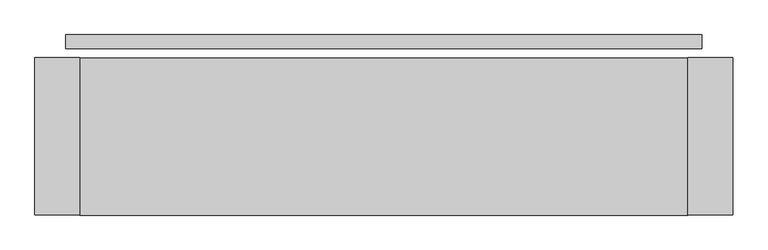
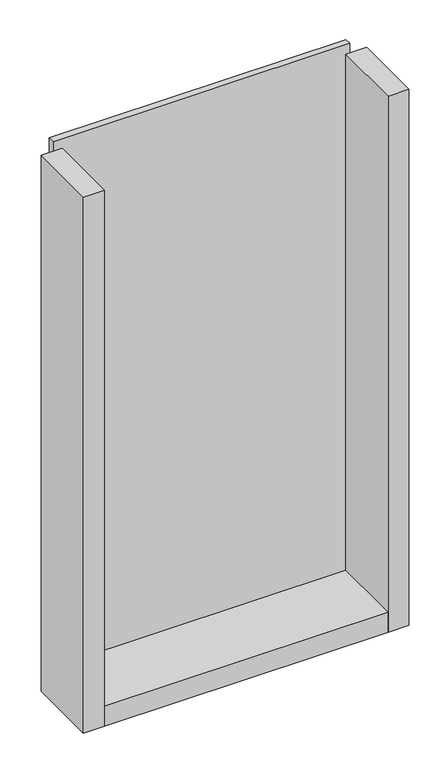
"""IFC4 building model written with IfcOpenShell, lengths in millimetres: plate geometry."""

from ifc_helpers import new_model, si_unit, frame, origin, origin_with_axes, place, context, project, spatial, polyline, outline, extrude, source, transform, mapped, element, save


def plate_7f6830ef(model_context):
    return source(origin(), model_context, "Body", "SweptSolid", [
        extrude(outline(polyline([(566.0, 0.0), (566.0, -25.0), (-566.0, -25.0), (-566.0, 0.0), (566.0, 0.0)])), origin_with_axes(), (0.0, 0.0, 1.0), 2132.0),
        extrude(outline(polyline([(-541.0, -41.0), (-541.0, -321.0), (-621.0, -321.0), (-621.0, -41.0), (-541.0, -41.0)])), frame((0.0, 0.0, -55.0), z_axis=(0.0, 0.0, 1.0), x_axis=(1.0, 0.0, 0.0)), (0.0, 0.0, 1.0), 2162.0),
        extrude(outline(polyline([(541.0, -321.0), (-541.0, -321.0), (-541.0, -41.0), (541.0, -41.0), (541.0, -321.0)])), frame((0.0, 0.0, -55.0), z_axis=(0.0, 0.0, 1.0), x_axis=(1.0, 0.0, 0.0)), (0.0, 0.0, 1.0), 80.0),
        extrude(outline(polyline([(621.0, -41.0), (621.0, -321.0), (541.0, -321.0), (541.0, -41.0), (621.0, -41.0)])), frame((0.0, 0.0, -55.0), z_axis=(0.0, 0.0, 1.0), x_axis=(1.0, 0.0, 0.0)), (0.0, 0.0, 1.0), 2162.0),
    ])


if __name__ == "__main__":
    model = new_model("IFC4")
    model_context = context("Model", 3, world=origin())
    ifc_project = project(units=[si_unit("LENGTHUNIT", "METRE", prefix="MILLI")], contexts=[model_context])
    site = spatial("IfcSite", under=ifc_project)
    building = spatial("IfcBuilding", under=site)
    placement = place(None, origin())
    plate_shape = plate_7f6830ef(model_context)
    element("IfcPlate", 1, at=placement, inside=building, context=model_context, shape_type="MappedRepresentation", body=[
        mapped(plate_shape, transform((0.0, 0.0, 0.0), x_axis=(1.0, 0.0, 0.0), y_axis=(0.0, 1.0, 0.0), z_axis=(0.0, 0.0, 1.0))),
    ])
    save(model, "model.ifc")
